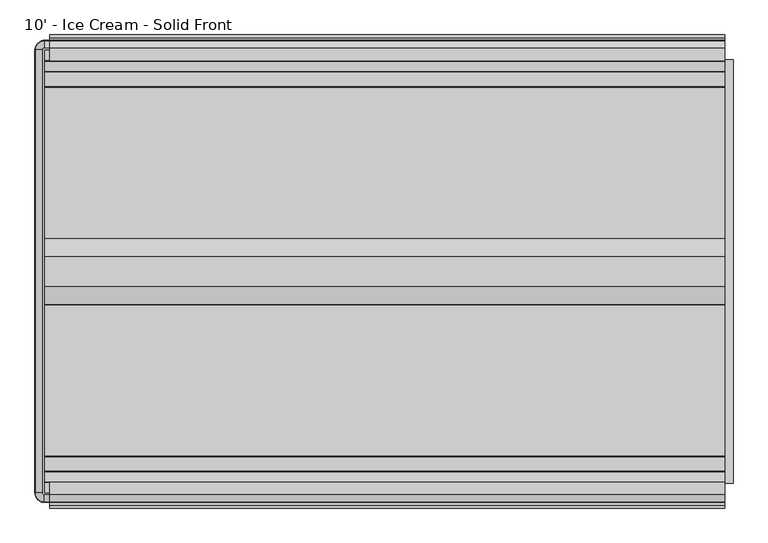
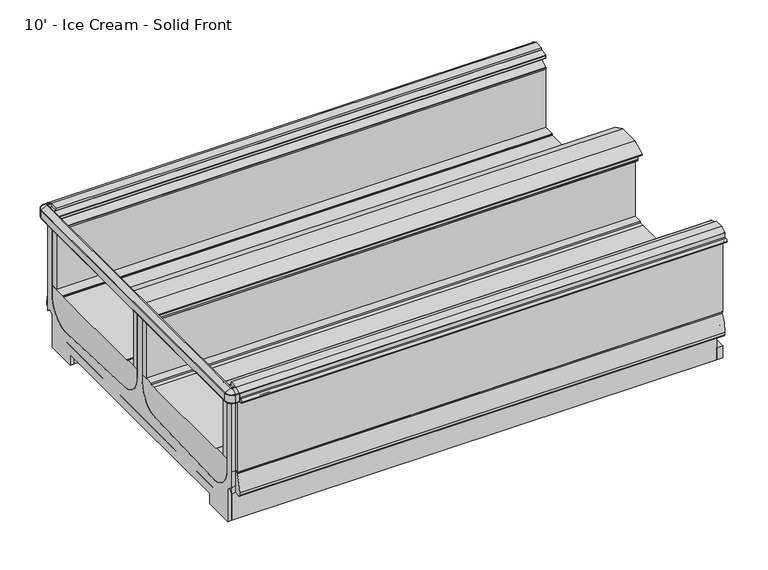
"""IFC4 building model written with IfcOpenShell, lengths in millimetres: proxy geometry, 10' - Ice Cream - Solid Front."""

from ifc_helpers import new_model, si_unit, point, frame, frame_2d, origin, origin_with_axes, place, context, project, spatial, polyline, circle_curve, ellipse_curve, trimmed, segment, composite_curve, outline, extrude, source, transform, mapped, element, save
from ifc_brep_helpers import plane_surface, cylinder_surface, revolved_surface, advanced_brep


def proxy_10_ice_cream_solid_front_2a757185(model_context):
    return source(origin(), model_context, "Body", "SolidModel", [
        extrude(outline(polyline([(-2377.8829734, 0.0), (-2409.6329734, 0.0), (-2409.6329734, 218.5762254), (-2377.8829734, 192.0044611), (-2377.8829734, 0.0)])), frame((0.0, 0.0, 0.0), z_axis=(1.0, 0.0, 0.0), x_axis=(0.0, 1.0, 0.0)), (0.0, 0.0, 1.0), 3048.0),
        extrude(outline(polyline([(2984.5, -582.4839273), (2760.8400723, -582.4839273), (2760.8400723, -531.6839273), (2984.5, -531.6839273), (2984.5, -582.4839273)])), frame((0.0, 0.0, -6.35), z_axis=(0.0, 0.0, 1.0), x_axis=(1.0, 0.0, 0.0)), (0.0, 0.0, 1.0), 6.35),
        extrude(outline(composite_curve([segment(trimmed(circle_curve(frame_2d((2844.8, -557.0839273)), 15.875), [point((2828.925, -557.0839273))], [point((2860.675, -557.0839273))], False, "CARTESIAN"), True, "CONTINUOUS"), segment(trimmed(circle_curve(frame_2d((2844.8, -557.0839273)), 15.875), [point((2860.675, -557.0839273))], [point((2828.925, -557.0839273))], False, "CARTESIAN"), True, "CONTINUOUS")], self_intersect=False)), frame((0.0, 0.0, -6.35), z_axis=(0.0, 0.0, 1.0), x_axis=(1.0, 0.0, 0.0)), (0.0, 0.0, 1.0), 6.35),
        extrude(outline(composite_curve([segment(trimmed(circle_curve(frame_2d((2895.6, -557.0839273)), 15.875), [point((2879.725, -557.0839273))], [point((2911.475, -557.0839273))], False, "CARTESIAN"), True, "CONTINUOUS"), segment(trimmed(circle_curve(frame_2d((2895.6, -557.0839273)), 15.875), [point((2911.475, -557.0839273))], [point((2879.725, -557.0839273))], False, "CARTESIAN"), True, "CONTINUOUS")], self_intersect=False)), frame((0.0, 0.0, -6.35), z_axis=(0.0, 0.0, 1.0), x_axis=(1.0, 0.0, 0.0)), (0.0, 0.0, 1.0), 6.35),
        extrude(outline(composite_curve([segment(trimmed(circle_curve(frame_2d((2946.4, -557.0839273)), 15.875), [point((2930.525, -557.0839273))], [point((2962.275, -557.0839273))], False, "CARTESIAN"), True, "CONTINUOUS"), segment(trimmed(circle_curve(frame_2d((2946.4, -557.0839273)), 15.875), [point((2962.275, -557.0839273))], [point((2930.525, -557.0839273))], False, "CARTESIAN"), True, "CONTINUOUS")], self_intersect=False)), frame((0.0, 0.0, -6.35), z_axis=(0.0, 0.0, 1.0), x_axis=(1.0, 0.0, 0.0)), (0.0, 0.0, 1.0), 6.35),
        extrude(outline(composite_curve([segment(trimmed(circle_curve(frame_2d((2794.0, -557.0839273)), 15.875), [point((2778.125, -557.0839273))], [point((2809.875, -557.0839273))], False, "CARTESIAN"), True, "CONTINUOUS"), segment(trimmed(circle_curve(frame_2d((2794.0, -557.0839273)), 15.875), [point((2809.875, -557.0839273))], [point((2778.125, -557.0839273))], False, "CARTESIAN"), True, "CONTINUOUS")], self_intersect=False)), frame((0.0, 0.0, -6.35), z_axis=(0.0, 0.0, 1.0), x_axis=(1.0, 0.0, 0.0)), (0.0, 0.0, 1.0), 6.35),
        extrude(outline(composite_curve([segment(trimmed(circle_curve(frame_2d((203.2, -2350.9589273)), 15.875), [point((219.075, -2350.9589273))], [point((187.325, -2350.9589273))], False, "CARTESIAN"), True, "CONTINUOUS"), segment(trimmed(circle_curve(frame_2d((203.2, -2350.9589273)), 15.875), [point((187.325, -2350.9589273))], [point((219.075, -2350.9589273))], False, "CARTESIAN"), True, "CONTINUOUS")], self_intersect=False)), frame((0.0, 0.0, -6.35), z_axis=(0.0, 0.0, 1.0), x_axis=(1.0, 0.0, 0.0)), (0.0, 0.0, 1.0), 6.35),
        extrude(outline(composite_curve([segment(trimmed(circle_curve(frame_2d((152.4, -2350.9589273)), 15.875), [point((168.275, -2350.9589273))], [point((136.525, -2350.9589273))], False, "CARTESIAN"), True, "CONTINUOUS"), segment(trimmed(circle_curve(frame_2d((152.4, -2350.9589273)), 15.875), [point((136.525, -2350.9589273))], [point((168.275, -2350.9589273))], False, "CARTESIAN"), True, "CONTINUOUS")], self_intersect=False)), frame((0.0, 0.0, -6.35), z_axis=(0.0, 0.0, 1.0), x_axis=(1.0, 0.0, 0.0)), (0.0, 0.0, 1.0), 6.35),
        extrude(outline(composite_curve([segment(trimmed(circle_curve(frame_2d((254.0, -2350.9589273)), 15.875), [point((269.875, -2350.9589273))], [point((238.125, -2350.9589273))], False, "CARTESIAN"), True, "CONTINUOUS"), segment(trimmed(circle_curve(frame_2d((254.0, -2350.9589273)), 15.875), [point((238.125, -2350.9589273))], [point((269.875, -2350.9589273))], False, "CARTESIAN"), True, "CONTINUOUS")], self_intersect=False)), frame((0.0, 0.0, -6.35), z_axis=(0.0, 0.0, 1.0), x_axis=(1.0, 0.0, 0.0)), (0.0, 0.0, 1.0), 6.35),
        extrude(outline(composite_curve([segment(trimmed(circle_curve(frame_2d((101.6, -2350.9589273)), 15.875), [point((117.475, -2350.9589273))], [point((85.725, -2350.9589273))], False, "CARTESIAN"), True, "CONTINUOUS"), segment(trimmed(circle_curve(frame_2d((101.6, -2350.9589273)), 15.875), [point((85.725, -2350.9589273))], [point((117.475, -2350.9589273))], False, "CARTESIAN"), True, "CONTINUOUS")], self_intersect=False)), frame((0.0, 0.0, -6.35), z_axis=(0.0, 0.0, 1.0), x_axis=(1.0, 0.0, 0.0)), (0.0, 0.0, 1.0), 6.35),
        extrude(outline(polyline([(69.85, -2325.5589273), (289.1439539, -2325.5589273), (289.1439539, -2376.3589273), (69.85, -2376.3589273), (69.85, -2325.5589273)])), frame((0.0, 0.0, -6.35), z_axis=(0.0, 0.0, 1.0), x_axis=(1.0, 0.0, 0.0)), (0.0, 0.0, 1.0), 6.35),
        extrude(outline(composite_curve([segment(polyline([(-445.8191812, 916.3995638), (-411.9355812, 896.8368583)]), True, "CONTINUOUS"), segment(trimmed(circle_curve(frame_2d((-412.9769812, 895.0331005)), 2.0828), [point((-411.9355812, 896.8368583))], [point((-410.8941812, 895.0331005))], False, "CARTESIAN"), True, "CONTINUOUS"), segment(polyline([(-410.8941812, 895.0331005), (-410.8941812, 842.2823638)]), True, "CONTINUOUS"), segment(trimmed(circle_curve(frame_2d((-412.9769812, 842.2823638)), 2.0828), [point((-410.8941812, 842.2823638))], [point((-412.9769812, 840.1995638))], False, "CARTESIAN"), True, "CONTINUOUS"), segment(polyline([(-412.9769812, 840.1995638), (-453.2686576, 840.1995638), (-453.2686576, 896.9698692), (-502.6537801, 896.9698692), (-502.6537801, 916.3995638), (-445.8191812, 916.3995638)]), True, "CONTINUOUS")], self_intersect=False)), frame((0.0, 0.0, 0.0), z_axis=(1.0, 0.0, 0.0), x_axis=(0.0, 1.0, 0.0)), (0.0, 0.0, 1.0), 3048.0),
        extrude(outline(composite_curve([segment(polyline([(-2462.2236734, 916.3995638), (-2405.3883698, 916.3995638), (-2405.3883698, 896.9698692), (-2454.774197, 896.9698692), (-2454.774197, 840.1995638), (-2495.0658734, 840.1995638)]), True, "CONTINUOUS"), segment(trimmed(circle_curve(frame_2d((-2495.0658734, 842.2823638)), 2.0828), [point((-2495.0658734, 840.1995638))], [point((-2497.1486734, 842.2823638))], False, "CARTESIAN"), True, "CONTINUOUS"), segment(polyline([(-2497.1486734, 842.2823638), (-2497.1486734, 895.0331005)]), True, "CONTINUOUS"), segment(trimmed(circle_curve(frame_2d((-2495.0658734, 895.0331005)), 2.0828), [point((-2497.1486734, 895.0331005))], [point((-2496.1072734, 896.8368583))], False, "CARTESIAN"), True, "CONTINUOUS"), segment(polyline([(-2496.1072734, 896.8368583), (-2462.2236734, 916.3995638)]), True, "CONTINUOUS")], self_intersect=False)), frame((0.0, 0.0, 0.0), z_axis=(1.0, 0.0, 0.0), x_axis=(0.0, 1.0, 0.0)), (0.0, 0.0, 1.0), 3048.0),
        extrude(outline(polyline([(3086.1, -498.4098812), (3086.1, -2409.6329734), (3048.0, -2409.6329734), (3048.0, -498.4098812), (3086.1, -498.4098812)])), origin_with_axes(), (0.0, 0.0, 1.0), 80.0346764),
        extrude(outline(composite_curve([segment(polyline([(-2454.774197, 212.6925638), (-2484.436449, 212.6925638), (-2484.436449, 210.1525638), (-2489.3644531, 210.1525638)]), True, "CONTINUOUS"), segment(trimmed(circle_curve(frame_2d((-2489.3644531, 218.3404259)), 8.1878621), [point((-2489.3644531, 210.1525638))], [point((-2497.5523152, 218.3404259))], False, "CARTESIAN"), True, "CONTINUOUS"), segment(polyline([(-2497.5523152, 218.3404259), (-2497.5523152, 235.3283913)]), True, "CONTINUOUS"), segment(trimmed(circle_curve(frame_2d((-2218.2798369, 226.8878416)), 279.4), [point((-2497.5523152, 235.3283913))], [point((-2470.719945, 346.6306987))], False, "CARTESIAN"), True, "CONTINUOUS"), segment(trimmed(circle_curve(frame_2d((-2459.2453946, 341.1878416)), 12.7), [point((-2470.719945, 346.6306987))], [point((-2459.036449, 353.8861226))], False, "CARTESIAN"), True, "CONTINUOUS"), segment(polyline([(-2459.036449, 353.8861226), (-2459.036449, 358.1075638), (-2454.774197, 358.1075638), (-2454.774197, 212.6925638)]), True, "CONTINUOUS")], self_intersect=False)), frame((0.0, 0.0, 0.0), z_axis=(1.0, 0.0, 0.0), x_axis=(0.0, 1.0, 0.0)), (0.0, 0.0, 1.0), 3048.0),
        extrude(outline(composite_curve([segment(polyline([(-453.2686576, 212.6925638), (-453.2686576, 358.1075638), (-449.0064056, 358.1075638), (-449.0064056, 353.8878416), (-439.8158479, 353.8878416)]), True, "CONTINUOUS"), segment(trimmed(circle_curve(frame_2d((-439.8158479, 341.1878416)), 12.7), [point((-439.8158479, 353.8878416))], [point((-428.3412975, 346.6306987))], False, "CARTESIAN"), True, "CONTINUOUS"), segment(trimmed(circle_curve(frame_2d((-680.7814056, 226.8878416)), 279.4), [point((-428.3412975, 346.6306987))], [point((-401.5089273, 235.3283913))], False, "CARTESIAN"), True, "CONTINUOUS"), segment(polyline([(-401.5089273, 235.3283913), (-401.5089273, 218.3404259)]), True, "CONTINUOUS"), segment(trimmed(circle_curve(frame_2d((-409.6967894, 218.3404259)), 8.1878621), [point((-401.5089273, 218.3404259))], [point((-409.6967894, 210.1525638))], False, "CARTESIAN"), True, "CONTINUOUS"), segment(polyline([(-409.6967894, 210.1525638), (-423.6064056, 210.1525638), (-423.6064056, 212.6925638), (-453.2686576, 212.6925638)]), True, "CONTINUOUS")], self_intersect=False)), frame((0.0, 0.0, 0.0), z_axis=(1.0, 0.0, 0.0), x_axis=(0.0, 1.0, 0.0)), (0.0, 0.0, 1.0), 3048.0),
        advanced_brep(
        [(-24.4402697, -2454.774197, 897.0258043), (-24.4402697, -2405.4351648, 897.0258043), (-24.4402697, -2405.4351648, 329.8307252), (-24.4402697, -2245.5061532, 189.514106), (-24.4402697, -1631.4536419, 211.922149), (-24.4402697, -1480.7855206, 364.3123081), (-24.4402697, -1480.7848159, 866.4774073), (-24.4402697, -1427.2580387, 866.4774073), (-24.4402697, -1427.2580387, 364.3123081), (-24.4402697, -1276.5892127, 211.922149), (-24.4402697, -662.5367014, 189.514106), (-24.4402697, -502.6076898, 329.8307252), (-24.4402697, -502.6076898, 413.6025156), (-24.4402697, -502.6076898, 897.0258043), (-24.4402697, -453.2686576, 897.0258043), (-24.4402697, -453.2686576, 358.1075638), (-24.4402697, -453.2686576, 212.7617767), (-24.4402697, -472.9537484, 236.2215544), (-24.4402697, -498.4098812, 214.8613228), (-24.4402697, -498.4098812, 0.0), (-24.4402697, -694.8002747, 0.0), (-24.4402697, -694.8001069, 67.8833987), (-24.4402697, -1454.0214273, 67.8834387), (-24.4402697, -2213.2427477, 67.8833987), (-24.4402697, -2213.2425799, 0.0), (-24.4402697, -2409.6329734, 0.0), (-24.4402697, -2409.6329734, 214.8613228), (-24.4402697, -2435.0891062, 236.2215544), (-24.4402697, -2454.774197, 212.7617767), (-24.4402697, -2454.774197, 358.1075638), (0.0, -2454.774197, 897.0258043), (0.0, -2454.774197, 358.1075638), (0.0, -2454.774197, 212.7617767), (0.0, -2435.0891062, 236.2215544), (0.0, -2409.6329734, 214.8613228), (0.0, -2409.6329734, 0.0), (0.0, -2213.2425799, 0.0), (0.0, -2213.2427477, 67.8833987), (0.0, -1454.0214273, 67.8834387), (0.0, -694.8001069, 67.8833987), (0.0, -694.8002747, 0.0), (0.0, -498.4098812, 0.0), (0.0, -498.4098812, 214.8613228), (0.0, -472.9537484, 236.2215544), (0.0, -453.2686576, 212.7617767), (0.0, -453.2686576, 358.1075638), (0.0, -453.2686576, 897.0258043), (0.0, -502.6076898, 897.0258043), (0.0, -502.6076898, 413.6025156), (0.0, -502.6076898, 329.8307252), (0.0, -662.5367014, 189.514106), (0.0, -1276.5892127, 211.922149), (0.0, -1427.257334, 364.3123081), (0.0, -1427.2580387, 866.4774073), (0.0, -1480.7848159, 866.4774073), (0.0, -1480.7848159, 364.3123081), (0.0, -1631.4536419, 211.922149), (0.0, -2245.5061532, 189.514106), (0.0, -2405.4351648, 329.8307252), (0.0, -2405.4351648, 897.0258043)],
        [
            (0, 1),
            (1, 2),
            (2, 3, circle_curve(frame((-24.4402697, -2254.7995855, 340.2213556), z_axis=(1.0, 0.0, 0.0), x_axis=(0.0, 1.0, 0.0)), 150.9935196)),
            (3, 4, circle_curve(frame((-24.4402697, -1492.4045203, -12023.1831731), z_axis=(-1.0, 0.0, 0.0), x_axis=(0.0, 1.0, 0.0)), 12235.8954271)),
            (4, 5, circle_curve(frame((-24.4402697, -1633.1855206, 364.3123081), z_axis=(1.0, 0.0, 0.0), x_axis=(0.0, 1.0, 0.0)), 152.4)),
            (5, 6),
            (6, 7),
            (7, 8),
            (8, 9, circle_curve(frame((-24.4402697, -1274.857334, 364.3123081), z_axis=(1.0, 0.0, 0.0), x_axis=(0.0, 1.0, 0.0)), 152.4)),
            (9, 10, circle_curve(frame((-24.4402697, -1415.6383343, -12023.1831731), z_axis=(-1.0, 0.0, 0.0), x_axis=(0.0, 1.0, 0.0)), 12235.8954271)),
            (10, 11, circle_curve(frame((-24.4402697, -653.2432691, 340.2213556), z_axis=(1.0, 0.0, 0.0), x_axis=(0.0, 1.0, 0.0)), 150.9935196)),
            (11, 12),
            (12, 13),
            (13, 14),
            (14, 15),
            (15, 16),
            (16, 17),
            (17, 18),
            (18, 19),
            (19, 20),
            (20, 21),
            (21, 22),
            (22, 23),
            (23, 24),
            (24, 25),
            (25, 26),
            (26, 27),
            (27, 28),
            (28, 29),
            (29, 0),
            (30, 31),
            (31, 32),
            (32, 33),
            (33, 34),
            (34, 35),
            (35, 36),
            (36, 37),
            (37, 38),
            (38, 39),
            (39, 40),
            (40, 41),
            (41, 42),
            (42, 43),
            (43, 44),
            (44, 45),
            (45, 46),
            (46, 47),
            (47, 48),
            (48, 49),
            (49, 50, circle_curve(frame((0.0, -653.2432691, 340.2213556), z_axis=(-1.0, 0.0, 0.0), x_axis=(0.0, 1.0, 0.0)), 150.9935196)),
            (50, 51, circle_curve(frame((0.0, -1415.6383343, -12023.1831731), z_axis=(1.0, 0.0, 0.0), x_axis=(0.0, 1.0, 0.0)), 12235.8954271)),
            (51, 52, circle_curve(frame((0.0, -1274.857334, 364.3123081), z_axis=(-1.0, 0.0, 0.0), x_axis=(0.0, 1.0, 0.0)), 152.4)),
            (52, 53),
            (53, 54),
            (54, 55),
            (55, 56, circle_curve(frame((0.0, -1633.1855206, 364.3123081), z_axis=(-1.0, 0.0, 0.0), x_axis=(0.0, 1.0, 0.0)), 152.4)),
            (56, 57, circle_curve(frame((0.0, -1492.4045203, -12023.1831731), z_axis=(1.0, 0.0, 0.0), x_axis=(0.0, 1.0, 0.0)), 12235.8954271)),
            (57, 58, circle_curve(frame((0.0, -2254.7995855, 340.2213556), z_axis=(-1.0, 0.0, 0.0), x_axis=(0.0, 1.0, 0.0)), 150.9935196)),
            (58, 59),
            (59, 30),
            (59, 1),
            (0, 30),
            (29, 31),
            (28, 32),
            (45, 15),
            (14, 46),
            (13, 47),
            (42, 18),
            (17, 43),
            (16, 44),
            (27, 33),
            (26, 34),
            (12, 48),
            (11, 49),
            (10, 50),
            (9, 51),
            (8, 52),
            (7, 53),
            (6, 54),
            (5, 55),
            (4, 56),
            (3, 57),
            (2, 58),
            (25, 35),
            (24, 36),
            (23, 37),
            (22, 38),
            (21, 39),
            (20, 40),
            (19, 41),
        ],
        [
            plane_surface(frame((-24.4402697, -2454.774197, 358.1075638), z_axis=(-1.0, 0.0, 0.0), x_axis=(0.0, 0.0, 1.0))),
            plane_surface(frame((0.0, -2454.774197, 358.1075638), z_axis=(1.0, 0.0, 0.0), x_axis=(0.0, 0.0, -1.0))),
            plane_surface(frame((0.0, -2405.4351648, 897.0258043), z_axis=(0.0, 0.0, 1.0), x_axis=(-1.0, 0.0, 0.0))),
            plane_surface(frame((0.0, -2454.774197, 897.0258043), z_axis=(0.0, -1.0, 0.0), x_axis=(-1.0, 0.0, 0.0))),
            plane_surface(frame((0.0, -2454.774197, 358.1075638), z_axis=(0.0, -1.0, 0.0), x_axis=(-1.0, 0.0, 0.0))),
            plane_surface(frame((0.0, -453.2686576, 358.1075638), z_axis=(0.0, 1.0, 0.0), x_axis=(-1.0, 0.0, 0.0))),
            plane_surface(frame((0.0, -453.2686576, 897.0258043), z_axis=(0.0, 0.0, 1.0), x_axis=(-1.0, 0.0, 0.0))),
            plane_surface(frame((0.0, -498.4098812, 214.8613228), z_axis=(0.0, 0.6427876097064538, -0.7660444431022678), x_axis=(-1.0, 0.0, 0.0))),
            plane_surface(frame((0.0, -472.9537484, 236.2215544), z_axis=(0.0, -0.7660444431084633, -0.6427876096990705), x_axis=(-1.0, 0.0, 0.0))),
            plane_surface(frame((0.0, -453.2686576, 212.7617767), z_axis=(0.0, 1.0, 3.1216682375061996e-12), x_axis=(-1.0, 0.0, 0.0))),
            plane_surface(frame((0.0, -2454.774197, 212.7617767), z_axis=(0.0, 0.7660444431333294, -0.6427876096694362), x_axis=(-1.0, 0.0, 0.0))),
            plane_surface(frame((0.0, -2435.0891062, 236.2215544), z_axis=(0.0, -0.6427876097190367, -0.7660444430917096), x_axis=(-1.0, 0.0, 0.0))),
            plane_surface(frame((0.0, -502.6076898, 897.0258043), z_axis=(0.0, -1.0, 0.0), x_axis=(-1.0, 0.0, 0.0))),
            plane_surface(frame((0.0, -502.6076898, 413.6025156), z_axis=(0.0, -1.0, 0.0), x_axis=(-1.0, 0.0, 0.0))),
            revolved_surface(polyline([(-24.4402697, -502.2497495, 340.2213556), (0.0, -502.2497495, 340.2213556)]), (-24.4402697, -653.2432691, 340.2213556), (-1.0, 0.0, 0.0)),
            cylinder_surface(frame((-24.4402697, -1415.6383343, -12023.1831731), z_axis=(1.0, 0.0, 0.0), x_axis=(0.0, 1.0, 0.0)), 12235.8954271),
            revolved_surface(polyline([(-24.4402697, -1122.457334, 364.3123081), (0.0, -1122.457334, 364.3123081)]), (-24.4402697, -1274.857334, 364.3123081), (-1.0, 0.0, 0.0)),
            plane_surface(frame((0.0, -1427.2580387, 364.3123081), z_axis=(0.0, 1.0, 0.0), x_axis=(-1.0, 0.0, 0.0))),
            plane_surface(frame((0.0, -1427.2580387, 866.4774073), z_axis=(0.0, 0.0, 1.0), x_axis=(-1.0, 0.0, 0.0))),
            plane_surface(frame((0.0, -1480.7848159, 866.4774073), z_axis=(0.0, -1.0, 0.0), x_axis=(-1.0, 0.0, 0.0))),
            revolved_surface(polyline([(-24.4402697, -1480.7855206, 364.3123081), (0.0, -1480.7855206, 364.3123081)]), (-24.4402697, -1633.1855206, 364.3123081), (-1.0, 0.0, 0.0)),
            cylinder_surface(frame((-24.4402697, -1492.4045203, -12023.1831731), z_axis=(1.0, 0.0, 0.0), x_axis=(0.0, 1.0, 0.0)), 12235.8954271),
            revolved_surface(polyline([(-24.4402697, -2103.8060659, 340.2213556), (0.0, -2103.8060659, 340.2213556)]), (-24.4402697, -2254.7995855, 340.2213556), (-1.0, 0.0, 0.0)),
            plane_surface(frame((0.0, -2405.4351648, 329.8307252), z_axis=(0.0, 1.0, 0.0), x_axis=(-1.0, 0.0, 0.0))),
            plane_surface(frame((0.0, -2409.6329734, 214.8613228), z_axis=(0.0, -1.0, 0.0), x_axis=(-1.0, 0.0, 0.0))),
            plane_surface(frame((0.0, -2409.6329734, 0.0), z_axis=(0.0, 0.0, -1.0), x_axis=(-1.0, 0.0, 0.0))),
            plane_surface(frame((0.0, -2213.2425799, 0.0), z_axis=(0.0, 0.9999999999969436, 2.472444991820878e-06), x_axis=(-1.0, 0.0, 0.0))),
            plane_surface(frame((0.0, -2213.2427477, 67.8833987), z_axis=(0.0, 5.271826472873997e-08, -0.9999999999999987), x_axis=(-1.0, 0.0, 0.0))),
            plane_surface(frame((0.0, -1454.0214273, 67.8834387), z_axis=(0.0, -5.271826471759711e-08, -0.9999999999999987), x_axis=(-1.0, 0.0, 0.0))),
            plane_surface(frame((0.0, -694.8001069, 67.8833987), z_axis=(0.0, -0.9999999999969436, 2.472444991820454e-06), x_axis=(-1.0, 0.0, 0.0))),
            plane_surface(frame((0.0, -694.8002747, 0.0), z_axis=(0.0, 0.0, -1.0), x_axis=(-1.0, 0.0, 0.0))),
            plane_surface(frame((0.0, -498.4098812, 0.0), z_axis=(0.0, 1.0, 0.0), x_axis=(-1.0, 0.0, 0.0))),
        ],
        [
            (0, [[1, 2, 3, 4, 5, 6, 7, 8, 9, 10, 11, 12, 13, 14, 15, 16, 17, 18, 19, 20, 21, 22, 23, 24, 25, 26, 27, 28, 29, 30]]),
            (1, [[31, 32, 33, 34, 35, 36, 37, 38, 39, 40, 41, 42, 43, 44, 45, 46, 47, 48, 49, 50, 51, 52, 53, 54, 55, 56, 57, 58, 59, 60]]),
            (2, [[-60, 61, -1, 62]]),
            (3, [[-31, -62, -30, 63]]),
            (4, [[-32, -63, -29, 64]]),
            (5, [[-46, 65, -15, 66]]),
            (6, [[-47, -66, -14, 67]]),
            (7, [[-43, 68, -18, 69]]),
            (8, [[-44, -69, -17, 70]]),
            (9, [[-45, -70, -16, -65]]),
            (10, [[-33, -64, -28, 71]]),
            (11, [[-34, -71, -27, 72]]),
            (12, [[-48, -67, -13, 73]]),
            (13, [[-49, -73, -12, 74]]),
            (14, [[-50, -74, -11, 75]]),
            (15, [[-51, -75, -10, 76]]),
            (16, [[-52, -76, -9, 77]]),
            (17, [[-53, -77, -8, 78]]),
            (18, [[-54, -78, -7, 79]]),
            (19, [[-55, -79, -6, 80]]),
            (20, [[-56, -80, -5, 81]]),
            (21, [[-57, -81, -4, 82]]),
            (22, [[-58, -82, -3, 83]]),
            (23, [[-59, -83, -2, -61]]),
            (24, [[-35, -72, -26, 84]]),
            (25, [[-36, -84, -25, 85]]),
            (26, [[-37, -85, -24, 86]]),
            (27, [[-38, -86, -23, 87]]),
            (28, [[-39, -87, -22, 88]]),
            (29, [[-40, -88, -21, 89]]),
            (30, [[-41, -89, -20, 90]]),
            (31, [[-42, -90, -19, -68]]),
        ],
    ),
        extrude(outline(polyline([(-2247.3548736, 0.0), (-2409.6329734, 0.0), (-2409.6329734, 214.8613228), (-2435.0891062, 236.2215544), (-2454.774197, 212.7617767), (-2454.774197, 256.3551845), (-2304.8796168, 130.9075167), (-2247.3551153, 130.9023907), (-2247.3548736, 0.0)])), frame((0.0, 0.0, 0.0), z_axis=(1.0, 0.0, 0.0), x_axis=(0.0, 1.0, 0.0)), (0.0, 0.0, 1.0), 3048.0),
        extrude(outline(polyline([(-660.687981, 0.0), (-660.6877393, 130.9023907), (-603.1632378, 130.9075167), (-498.4098812, 218.5762254), (-498.4098812, 0.0), (-660.687981, 0.0)])), frame((0.0, 0.0, 0.0), z_axis=(1.0, 0.0, 0.0), x_axis=(0.0, 1.0, 0.0)), (0.0, 0.0, 1.0), 3048.0),
        extrude(outline(composite_curve([segment(polyline([(-453.2686576, 840.1995638), (-429.7663812, 840.1995638), (-429.7663812, 359.6315638)]), True, "CONTINUOUS"), segment(trimmed(circle_curve(frame_2d((-431.2903812, 359.6315638)), 1.524), [point((-429.7663812, 359.6315638))], [point((-431.2903812, 358.1075638))], False, "CARTESIAN"), True, "CONTINUOUS"), segment(polyline([(-431.2903812, 358.1075638), (-453.2686576, 358.1075638), (-453.2686576, 840.1995638)]), True, "CONTINUOUS")], self_intersect=False)), frame((0.0, 0.0, 0.0), z_axis=(1.0, 0.0, 0.0), x_axis=(0.0, 1.0, 0.0)), (0.0, 0.0, 1.0), 3048.0),
        extrude(outline(composite_curve([segment(polyline([(-2454.774197, 840.1995638), (-2454.774197, 358.1075638), (-2476.7524734, 358.1075638)]), True, "CONTINUOUS"), segment(trimmed(circle_curve(frame_2d((-2476.7524734, 359.6315638)), 1.524), [point((-2476.7524734, 358.1075638))], [point((-2478.2764734, 359.6315638))], False, "CARTESIAN"), True, "CONTINUOUS"), segment(polyline([(-2478.2764734, 359.6315638), (-2478.2764734, 840.1995638), (-2454.774197, 840.1995638)]), True, "CONTINUOUS")], self_intersect=False)), frame((0.0, 0.0, 0.0), z_axis=(1.0, 0.0, 0.0), x_axis=(0.0, 1.0, 0.0)), (0.0, 0.0, 1.0), 3048.0),
        extrude(outline(composite_curve([segment(polyline([(-2497.1486734, 866.4774073), (-2497.1486734, 841.0774073), (-2509.5631602, 841.0774073)]), True, "CONTINUOUS"), segment(trimmed(circle_curve(frame_2d((-2509.5631602, 853.7774073)), 12.7), [point((-2509.5631602, 841.0774073))], [point((-2522.2631602, 853.7774073))], False, "CARTESIAN"), True, "CONTINUOUS"), segment(trimmed(circle_curve(frame_2d((-2509.5631602, 853.7774073)), 12.7), [point((-2522.2631602, 853.7774073))], [point((-2509.5631602, 866.4774073))], False, "CARTESIAN"), True, "CONTINUOUS"), segment(polyline([(-2509.5631602, 866.4774073), (-2497.1486734, 866.4774073)]), True, "CONTINUOUS")], self_intersect=False)), frame((0.0, 0.0, 0.0), z_axis=(1.0, 0.0, 0.0), x_axis=(0.0, 1.0, 0.0)), (0.0, 0.0, 1.0), 3048.0),
        extrude(outline(composite_curve([segment(polyline([(-410.8941812, 866.4774073), (-398.4796944, 866.4774073)]), True, "CONTINUOUS"), segment(trimmed(circle_curve(frame_2d((-398.4796944, 853.7774073)), 12.7), [point((-398.4796944, 866.4774073))], [point((-385.7796944, 853.7774073))], False, "CARTESIAN"), True, "CONTINUOUS"), segment(trimmed(circle_curve(frame_2d((-398.4796944, 853.7774073)), 12.7), [point((-385.7796944, 853.7774073))], [point((-398.4796944, 841.0774073))], False, "CARTESIAN"), True, "CONTINUOUS"), segment(polyline([(-398.4796944, 841.0774073), (-410.8941812, 841.0774073), (-410.8941812, 866.4774073)]), True, "CONTINUOUS")], self_intersect=False)), frame((0.0, 0.0, 0.0), z_axis=(1.0, 0.0, 0.0), x_axis=(0.0, 1.0, 0.0)), (0.0, 0.0, 1.0), 3048.0),
        extrude(outline(polyline([(3048.0, -1527.311562), (3048.0, -1549.536562), (0.0, -1549.536562), (0.0, -1527.311562), (3048.0, -1527.311562)])), frame((0.0, 0.0, 802.4445616), z_axis=(0.0, 0.0, 1.0), x_axis=(1.0, 0.0, 0.0)), (0.0, 0.0, 1.0), 76.2),
        extrude(outline(polyline([(3048.0, -1358.5062926), (3048.0, -1380.7312926), (0.0, -1380.7312926), (0.0, -1358.5062926), (3048.0, -1358.5062926)])), frame((0.0, 0.0, 802.4445616), z_axis=(0.0, 0.0, 1.0), x_axis=(1.0, 0.0, 0.0)), (0.0, 0.0, 1.0), 76.2),
        extrude(outline(composite_curve([segment(polyline([(-1551.071886, 800.8570616), (-1551.071886, 808.7945616), (-1549.536562, 808.7945616), (-1549.536562, 802.4445616), (-1527.311562, 802.4445616), (-1527.311562, 866.3043859), (-1480.7848159, 866.3043859), (-1480.7848159, 415.2220813), (-1522.6087322, 415.2325275), (-1522.6087322, 775.2893206)]), True, "CONTINUOUS"), segment(trimmed(circle_curve(frame_2d((-1522.2729918, 776.2117598)), 0.9816393), [point((-1522.6087322, 775.2893206))], [point((-1523.2546312, 776.2117598))], False, "CARTESIAN"), True, "CONTINUOUS"), segment(polyline([(-1523.2546312, 776.2117598), (-1523.2546312, 800.8570616), (-1551.071886, 800.8570616)]), True, "CONTINUOUS")], self_intersect=False)), frame((-24.4402697, 0.0, 0.0), z_axis=(1.0, 0.0, 0.0), x_axis=(0.0, 1.0, 0.0)), (0.0, 0.0, 1.0), 3072.4402697),
        extrude(outline(composite_curve([segment(polyline([(-1356.9709686, 800.8570616), (-1384.7882234, 800.8570616), (-1384.7882234, 776.2117598)]), True, "CONTINUOUS"), segment(trimmed(circle_curve(frame_2d((-1385.7698628, 776.2117598)), 0.9816393), [point((-1384.7882234, 776.2117598))], [point((-1385.4341224, 775.2893206))], False, "CARTESIAN"), True, "CONTINUOUS"), segment(polyline([(-1385.4341224, 775.2893206), (-1385.4341224, 415.2325275), (-1427.2580387, 415.2220813), (-1427.2580387, 866.3043859), (-1380.7312926, 866.3043859), (-1380.7312926, 802.4445616), (-1358.5062926, 802.4445616), (-1358.5062926, 808.7945616), (-1356.9709686, 808.7945616), (-1356.9709686, 800.8570616)]), True, "CONTINUOUS")], self_intersect=False)), frame((-24.4402697, 0.0, 0.0), z_axis=(1.0, 0.0, 0.0), x_axis=(0.0, 1.0, 0.0)), (0.0, 0.0, 1.0), 3072.4402697),
        extrude(outline(polyline([(-1387.836481, 914.8138293), (-1305.5925722, 875.4929407), (-1309.5700998, 864.574991), (-1312.0395874, 864.7344073), (-1358.5062926, 864.7344073), (-1358.5062926, 878.6445616), (-1380.7312926, 878.6445616), (-1380.7312926, 866.3043859), (-1527.311562, 866.3043859), (-1527.311562, 878.6445616), (-1549.536562, 878.6445616), (-1549.536562, 864.7344073), (-1596.0032672, 864.7344073), (-1598.4727548, 864.574991), (-1602.4502824, 875.4929407), (-1520.2063736, 914.8138293), (-1387.836481, 914.8138293)])), frame((-24.4402697, 0.0, 0.0), z_axis=(1.0, 0.0, 0.0), x_axis=(0.0, 1.0, 0.0)), (0.0, 0.0, 1.0), 3072.4402697),
        extrude(outline(composite_curve([segment(polyline([(-502.6076898, 413.6025156), (-547.7105983, 413.6025156), (-547.7105983, 799.5951356), (-549.2980983, 799.5951356), (-552.5851001, 811.8623936)]), True, "CONTINUOUS"), segment(trimmed(circle_curve(frame_2d((-550.6959424, 812.3685918)), 1.9558), [point((-552.5851001, 811.8623936))], [point((-551.6738424, 814.0623643))], False, "CARTESIAN"), True, "CONTINUOUS"), segment(polyline([(-551.6738424, 814.0623643), (-507.7817983, 839.4034478)]), True, "CONTINUOUS"), segment(trimmed(circle_curve(frame_2d((-506.8038983, 837.7096753)), 1.9558), [point((-507.7817983, 839.4034478))], [point((-504.8480983, 837.7096753))], False, "CARTESIAN"), True, "CONTINUOUS"), segment(polyline([(-504.8480983, 837.7096753), (-504.8480983, 846.7803598)]), True, "CONTINUOUS"), segment(trimmed(circle_curve(frame_2d((-505.6354983, 846.7803598)), 0.7874), [point((-504.8480983, 846.7803598))], [point((-505.2464442, 847.4649295))], True, "CARTESIAN"), True, "CONTINUOUS"), segment(polyline([(-505.2464442, 847.4649295), (-550.9785754, 873.4553778)]), True, "CONTINUOUS"), segment(trimmed(circle_curve(frame_2d((-550.2255675, 874.7803514)), 1.524), [point((-550.9785754, 873.4553778))], [point((-551.7495675, 874.7803514))], False, "CARTESIAN"), True, "CONTINUOUS"), segment(polyline([(-551.7495675, 874.7803514), (-551.7495675, 892.7114623)]), True, "CONTINUOUS"), segment(trimmed(circle_curve(frame_2d((-550.2255675, 892.7114623)), 1.524), [point((-551.7495675, 892.7114623))], [point((-550.4902073, 894.2123093))], False, "CARTESIAN"), True, "CONTINUOUS"), segment(polyline([(-550.4902073, 894.2123093), (-505.4987677, 902.1455141), (-502.6076898, 902.1455141), (-502.6076898, 413.6025156)]), True, "CONTINUOUS")], self_intersect=False)), frame((-24.4402697, 0.0, 0.0), z_axis=(1.0, 0.0, 0.0), x_axis=(0.0, 1.0, 0.0)), (0.0, 0.0, 1.0), 3072.4402697),
        extrude(outline(composite_curve([segment(polyline([(-2405.4351648, 413.6025156), (-2405.4351648, 902.1455141), (-2402.5440869, 902.1455141), (-2357.5526473, 894.2123093)]), True, "CONTINUOUS"), segment(trimmed(circle_curve(frame_2d((-2357.8172871, 892.7114623)), 1.524), [point((-2357.5526473, 894.2123093))], [point((-2356.2932871, 892.7114623))], False, "CARTESIAN"), True, "CONTINUOUS"), segment(polyline([(-2356.2932871, 892.7114623), (-2356.2932871, 874.7803514)]), True, "CONTINUOUS"), segment(trimmed(circle_curve(frame_2d((-2357.8172871, 874.7803514)), 1.524), [point((-2356.2932871, 874.7803514))], [point((-2357.0642791, 873.4553778))], False, "CARTESIAN"), True, "CONTINUOUS"), segment(polyline([(-2357.0642791, 873.4553778), (-2402.7964104, 847.4649295)]), True, "CONTINUOUS"), segment(trimmed(circle_curve(frame_2d((-2402.4073563, 846.7803598)), 0.7874), [point((-2402.7964104, 847.4649295))], [point((-2403.1947563, 846.7803598))], True, "CARTESIAN"), True, "CONTINUOUS"), segment(polyline([(-2403.1947563, 846.7803598), (-2403.1947563, 837.7096753)]), True, "CONTINUOUS"), segment(trimmed(circle_curve(frame_2d((-2401.2389563, 837.7096753)), 1.9558), [point((-2403.1947563, 837.7096753))], [point((-2400.2610563, 839.4034478))], False, "CARTESIAN"), True, "CONTINUOUS"), segment(polyline([(-2400.2610563, 839.4034478), (-2356.3690122, 814.0623643)]), True, "CONTINUOUS"), segment(trimmed(circle_curve(frame_2d((-2357.3469122, 812.3685918)), 1.9558), [point((-2356.3690122, 814.0623643))], [point((-2355.4577545, 811.8623936))], False, "CARTESIAN"), True, "CONTINUOUS"), segment(polyline([(-2355.4577545, 811.8623936), (-2358.7447563, 799.5951356), (-2360.3322563, 799.5951356), (-2360.3322563, 413.6025156), (-2405.4351648, 413.6025156)]), True, "CONTINUOUS")], self_intersect=False)), frame((-24.4402697, 0.0, 0.0), z_axis=(1.0, 0.0, 0.0), x_axis=(0.0, 1.0, 0.0)), (0.0, 0.0, 1.0), 3072.4402697),
        extrude(outline(composite_curve([segment(trimmed(circle_curve(frame_2d((-653.2432691, 340.2213556)), 150.9935196), [point((-502.6076898, 329.8307252))], [point((-662.5367014, 189.514106))], False, "CARTESIAN"), True, "CONTINUOUS"), segment(trimmed(circle_curve(frame_2d((-1415.6383343, -12023.1831731)), 12235.8954271), [point((-662.5367014, 189.514106))], [point((-1276.5892127, 211.922149))], True, "CARTESIAN"), True, "CONTINUOUS"), segment(trimmed(circle_curve(frame_2d((-1274.857334, 364.3123081)), 152.4), [point((-1276.5892127, 211.922149))], [point((-1427.257334, 364.3123081))], False, "CARTESIAN"), True, "CONTINUOUS"), segment(polyline([(-1427.257334, 364.3123081), (-1427.257334, 415.2220814), (-1327.4861855, 415.247001), (-1327.4836218, 404.9827495), (-1304.411668, 404.9827495), (-621.5663814, 405.1887649)]), True, "CONTINUOUS"), segment(trimmed(circle_curve(frame_2d((-621.5666848, 406.1943748)), 1.0056099), [point((-621.5663814, 405.1887649))], [point((-620.5610749, 406.1943748))], True, "CARTESIAN"), True, "CONTINUOUS"), segment(polyline([(-620.5610749, 406.1943748), (-620.5610749, 410.7761577)]), True, "CONTINUOUS"), segment(trimmed(circle_curve(frame_2d((-617.734717, 410.7761577)), 2.8263579), [point((-620.5610749, 410.7761577))], [point((-617.734717, 413.6025156))], False, "CARTESIAN"), True, "CONTINUOUS"), segment(polyline([(-617.734717, 413.6025156), (-502.6076898, 413.6025156), (-502.6076898, 329.8307252)]), True, "CONTINUOUS")], self_intersect=False)), frame((-24.4402697, 0.0, 0.0), z_axis=(1.0, 0.0, 0.0), x_axis=(0.0, 1.0, 0.0)), (0.0, 0.0, 1.0), 3072.4402697),
        extrude(outline(composite_curve([segment(polyline([(-2405.4351648, 329.8307252), (-2405.4351648, 413.6025156), (-2290.3081376, 413.6025156)]), True, "CONTINUOUS"), segment(trimmed(circle_curve(frame_2d((-2290.3081376, 410.7761577)), 2.8263579), [point((-2290.3081376, 413.6025156))], [point((-2287.4817797, 410.7761577))], False, "CARTESIAN"), True, "CONTINUOUS"), segment(polyline([(-2287.4817797, 410.7761577), (-2287.4817797, 406.1943748)]), True, "CONTINUOUS"), segment(trimmed(circle_curve(frame_2d((-2286.4761698, 406.1943748)), 1.0056099), [point((-2287.4817797, 406.1943748))], [point((-2286.4764732, 405.1887649))], True, "CARTESIAN"), True, "CONTINUOUS"), segment(polyline([(-2286.4764732, 405.1887649), (-1603.6311866, 404.9827495), (-1580.5592328, 404.9827495), (-1580.5566691, 415.247001), (-1480.7855206, 415.2220814), (-1480.7855206, 364.3123081)]), True, "CONTINUOUS"), segment(trimmed(circle_curve(frame_2d((-1633.1855206, 364.3123081)), 152.4), [point((-1480.7855206, 364.3123081))], [point((-1631.4536419, 211.922149))], False, "CARTESIAN"), True, "CONTINUOUS"), segment(trimmed(circle_curve(frame_2d((-1492.4045203, -12023.1831731)), 12235.8954271), [point((-1631.4536419, 211.922149))], [point((-2245.5061532, 189.514106))], True, "CARTESIAN"), True, "CONTINUOUS"), segment(trimmed(circle_curve(frame_2d((-2254.7995855, 340.2213556)), 150.9935196), [point((-2245.5061532, 189.514106))], [point((-2405.4351648, 329.8307252))], False, "CARTESIAN"), True, "CONTINUOUS")], self_intersect=False)), frame((-24.4402697, 0.0, 0.0), z_axis=(1.0, 0.0, 0.0), x_axis=(0.0, 1.0, 0.0)), (0.0, 0.0, 1.0), 3072.4402697),
        extrude(outline(composite_curve([segment(polyline([(-453.2679529, 897.0258043), (-453.2679529, 256.3551845), (-603.1625331, 130.9075167), (-2304.8796168, 130.9075167), (-2454.774197, 256.3551845), (-2454.774197, 897.0258043), (-2405.4344601, 897.0258043), (-2405.4344601, 329.8307252)]), True, "CONTINUOUS"), segment(trimmed(circle_curve(frame_2d((-2254.7988808, 340.2213556)), 150.9935196), [point((-2405.4344601, 329.8307252))], [point((-2245.5054485, 189.514106))], True, "CARTESIAN"), True, "CONTINUOUS"), segment(trimmed(circle_curve(frame_2d((-1492.4038157, -12023.1831731)), 12235.8954271), [point((-2245.5054485, 189.514106))], [point((-1631.4529372, 211.922149))], False, "CARTESIAN"), True, "CONTINUOUS"), segment(trimmed(circle_curve(frame_2d((-1633.1848159, 364.3123081)), 152.4), [point((-1631.4529372, 211.922149))], [point((-1480.7848159, 364.3123081))], True, "CARTESIAN"), True, "CONTINUOUS"), segment(polyline([(-1480.7848159, 364.3123081), (-1480.7848159, 866.3043859), (-1427.257334, 866.3043859), (-1427.257334, 364.3123081)]), True, "CONTINUOUS"), segment(trimmed(circle_curve(frame_2d((-1274.857334, 364.3123081)), 152.4), [point((-1427.257334, 364.3123081))], [point((-1276.5892127, 211.922149))], True, "CARTESIAN"), True, "CONTINUOUS"), segment(trimmed(circle_curve(frame_2d((-1415.6383343, -12023.1831731)), 12235.8954271), [point((-1276.5892127, 211.922149))], [point((-662.5367014, 189.514106))], False, "CARTESIAN"), True, "CONTINUOUS"), segment(trimmed(circle_curve(frame_2d((-653.2432691, 340.2213556)), 150.9935196), [point((-662.5367014, 189.514106))], [point((-502.6076898, 329.8307252))], True, "CARTESIAN"), True, "CONTINUOUS"), segment(polyline([(-502.6076898, 329.8307252), (-502.6076898, 897.0258043), (-453.2679529, 897.0258043)]), True, "CONTINUOUS")], self_intersect=False)), frame((0.0, 0.0, 0.0), z_axis=(1.0, 0.0, 0.0), x_axis=(0.0, 1.0, 0.0)), (0.0, 0.0, 1.0), 3048.0),
        extrude(outline(polyline([(-660.687981, 0.0), (-694.8001491, 0.0), (-694.7998808, 108.5179371), (-2213.2429738, 108.517857), (-2213.2427055, 0.0), (-2247.3548736, 0.0), (-2247.3551153, 130.9023907), (-660.6877393, 130.9023907), (-660.687981, 0.0)])), frame((-24.4402697, 0.0, 0.0), z_axis=(1.0, 0.0, 0.0), x_axis=(0.0, 1.0, 0.0)), (0.0, 0.0, 1.0), 3072.4402697),
        advanced_brep(
        [(0.0, -2462.2236734, 916.3995638), (0.0, -2496.1072734, 896.8368583), (0.0, -2497.1486734, 895.0331005), (0.0, -2497.1486734, 842.2823638), (0.0, -2495.0658734, 840.1995638), (0.0, -2454.774197, 840.1995638), (0.0, -2454.774197, 916.3995638), (0.0, -445.8191812, 916.3995638), (0.0, -453.2686576, 916.3995638), (0.0, -453.2686576, 840.1995638), (0.0, -412.9769812, 840.1995638), (0.0, -410.8941812, 842.2823638), (0.0, -410.8941812, 895.0331005), (0.0, -411.9355812, 896.8368583), (-23.8125, -2462.2236734, 916.3995638), (-23.8125, -2496.1072734, 896.8368583), (-23.8125, -2497.1486734, 895.0331005), (-23.8125, -2497.1486734, 842.2823638), (-23.8125, -2495.0658734, 840.1995638), (-64.7319461, -2454.1464273, 840.1995638), (-64.7319461, -453.8964273, 840.1995638), (-23.8125, -412.9769812, 840.1995638), (-23.8125, -453.2686576, 840.1995638), (-24.4402697, -453.8964273, 840.1995638), (-24.4402697, -2454.1464273, 840.1995638), (-23.8125, -2454.774197, 840.1995638), (-23.8125, -2454.774197, 916.3995638), (-24.4402697, -2454.1464273, 916.3995638), (-24.4402697, -453.8964273, 916.3995638), (-23.8125, -453.2686576, 916.3995638), (-23.8125, -445.8191812, 916.3995638), (-31.8897461, -453.8964273, 916.3995638), (-31.8897461, -2454.1464273, 916.3995638), (-65.7733461, -2454.1464273, 896.8368583), (-66.8147461, -2454.1464273, 895.0331005), (-66.8147461, -2454.1464273, 842.2823638), (-65.7733461, -453.8964273, 896.8368583), (-66.8147461, -453.8964273, 895.0331005), (-66.8147461, -453.8964273, 842.2823638), (-23.8125, -411.9355812, 896.8368583), (-23.8125, -410.8941812, 895.0331005), (-23.8125, -410.8941812, 842.2823638)],
        [
            (0, 1),
            (1, 2, circle_curve(frame((0.0, -2495.0658734, 895.0331005), z_axis=(1.0, 0.0, 0.0), x_axis=(0.0, -1.0, 0.0)), 2.0828)),
            (2, 3),
            (3, 4, circle_curve(frame((0.0, -2495.0658734, 842.2823638), z_axis=(1.0, 0.0, 0.0), x_axis=(0.0, -1.0, 0.0)), 2.0828)),
            (4, 5),
            (5, 6),
            (6, 0),
            (7, 8),
            (8, 9),
            (9, 10),
            (10, 11, circle_curve(frame((0.0, -412.9769812, 842.2823638), z_axis=(1.0, 0.0, 0.0), x_axis=(0.0, 1.0, 0.0)), 2.0828)),
            (11, 12),
            (12, 13, circle_curve(frame((0.0, -412.9769812, 895.0331005), z_axis=(1.0, 0.0, 0.0), x_axis=(0.0, 1.0, 0.0)), 2.0828)),
            (13, 7),
            (0, 14),
            (14, 15),
            (15, 1),
            (15, 16, circle_curve(frame((-23.8125, -2495.0658734, 895.0331005), z_axis=(1.0, 0.0, 0.0), x_axis=(0.0, -1.0, 0.0)), 2.0828)),
            (16, 2),
            (16, 17),
            (17, 3),
            (17, 18, circle_curve(frame((-23.8125, -2495.0658734, 842.2823638), z_axis=(1.0, 0.0, 0.0), x_axis=(0.0, -1.0, 0.0)), 2.0828)),
            (18, 4),
            (18, 19, circle_curve(frame((-23.8125, -2454.1464273, 840.1995638), z_axis=(0.0, 0.0, -1.0), x_axis=(0.0, -1.0, 0.0)), 40.9194461)),
            (19, 20),
            (20, 21, circle_curve(frame((-23.8125, -453.8964273, 840.1995638), z_axis=(0.0, 0.0, -1.0), x_axis=(-1.0, 0.0, 0.0)), 40.9194461)),
            (21, 10),
            (9, 22),
            (22, 23, circle_curve(frame((-23.8125, -453.8964273, 840.1995638), z_axis=(0.0, 0.0, 1.0), x_axis=(-1.0, 0.0, 0.0)), 0.6277697)),
            (23, 24),
            (24, 25, circle_curve(frame((-23.8125, -2454.1464273, 840.1995638), z_axis=(0.0, 0.0, 1.0), x_axis=(0.0, -1.0, 0.0)), 0.6277697)),
            (25, 5),
            (25, 26),
            (26, 6),
            (26, 27, circle_curve(frame((-23.8125, -2454.1464273, 916.3995638), z_axis=(0.0, 0.0, -1.0), x_axis=(0.0, -1.0, 0.0)), 0.6277697)),
            (27, 28),
            (28, 29, circle_curve(frame((-23.8125, -453.8964273, 916.3995638), z_axis=(0.0, 0.0, -1.0), x_axis=(-1.0, 0.0, 0.0)), 0.6277697)),
            (29, 8),
            (7, 30),
            (30, 31, circle_curve(frame((-23.8125, -453.8964273, 916.3995638), z_axis=(0.0, 0.0, 1.0), x_axis=(-1.0, 0.0, 0.0)), 8.0772461)),
            (31, 32),
            (32, 14, circle_curve(frame((-23.8125, -2454.1464273, 916.3995638), z_axis=(0.0, 0.0, 1.0), x_axis=(0.0, -1.0, 0.0)), 8.0772461)),
            (33, 15, circle_curve(frame((-23.8125, -2454.1464273, 896.8368583), z_axis=(0.0, 0.0, 1.0), x_axis=(0.0, -1.0, 0.0)), 41.9608461)),
            (32, 33),
            (34, 16, circle_curve(frame((-23.8125, -2454.1464273, 895.0331005), z_axis=(0.0, 0.0, 1.0), x_axis=(0.0, -1.0, 0.0)), 43.0022461)),
            (33, 34, circle_curve(frame((-64.7319461, -2454.1464273, 895.0331005), z_axis=(0.0, -1.0, 0.0), x_axis=(-1.0, 0.0, 0.0)), 2.0828)),
            (35, 17, circle_curve(frame((-23.8125, -2454.1464273, 842.2823638), z_axis=(0.0, 0.0, 1.0), x_axis=(0.0, -1.0, 0.0)), 43.0022461)),
            (34, 35),
            (35, 19, circle_curve(frame((-64.7319461, -2454.1464273, 842.2823638), z_axis=(0.0, -1.0, 0.0), x_axis=(-1.0, 0.0, 0.0)), 2.0828)),
            (24, 27),
            (31, 36),
            (36, 33),
            (36, 37, circle_curve(frame((-64.7319461, -453.8964273, 895.0331005), z_axis=(0.0, -1.0, 0.0), x_axis=(-1.0, 0.0, 0.0)), 2.0828)),
            (37, 34),
            (37, 38),
            (38, 35),
            (38, 20, circle_curve(frame((-64.7319461, -453.8964273, 842.2823638), z_axis=(0.0, -1.0, 0.0), x_axis=(-1.0, 0.0, 0.0)), 2.0828)),
            (23, 28),
            (39, 36, circle_curve(frame((-23.8125, -453.8964273, 896.8368583), z_axis=(0.0, 0.0, 1.0), x_axis=(-1.0, 0.0, 0.0)), 41.9608461)),
            (30, 39),
            (40, 37, circle_curve(frame((-23.8125, -453.8964273, 895.0331005), z_axis=(0.0, 0.0, 1.0), x_axis=(-1.0, 0.0, 0.0)), 43.0022461)),
            (39, 40, circle_curve(frame((-23.8125, -412.9769812, 895.0331005), z_axis=(-1.0, 0.0, 0.0), x_axis=(0.0, 1.0, 0.0)), 2.0828)),
            (41, 38, circle_curve(frame((-23.8125, -453.8964273, 842.2823638), z_axis=(0.0, 0.0, 1.0), x_axis=(-1.0, 0.0, 0.0)), 43.0022461)),
            (40, 41),
            (41, 21, circle_curve(frame((-23.8125, -412.9769812, 842.2823638), z_axis=(-1.0, 0.0, 0.0), x_axis=(0.0, 1.0, 0.0)), 2.0828)),
            (22, 29),
            (13, 39),
            (12, 40),
            (11, 41),
        ],
        [
            plane_surface(frame((0.0, -2506.5339273, 1498.6), z_axis=(1.0, 0.0, 0.0), x_axis=(0.0, 0.0, 1.0))),
            plane_surface(frame((0.0, -401.5089273, 1498.6), z_axis=(1.0, 0.0, 0.0), x_axis=(0.0, 0.0, 1.0))),
            plane_surface(frame((0.0, -2462.2236734, 916.3995638), z_axis=(0.0, -0.4999999999872431, 0.8660254037918039), x_axis=(-1.0, 0.0, 0.0))),
            cylinder_surface(frame((0.0, -2495.0658734, 895.0331005), z_axis=(1.0, 0.0, 0.0), x_axis=(0.0, -1.0, 0.0)), 2.0828),
            plane_surface(frame((0.0, -2497.1486734, 895.0331005), z_axis=(0.0, -1.0, 0.0), x_axis=(-1.0, 0.0, 0.0))),
            cylinder_surface(frame((0.0, -2495.0658734, 842.2823638), z_axis=(1.0, 0.0, 0.0), x_axis=(0.0, -1.0, 0.0)), 2.0828),
            plane_surface(frame((0.0, -2495.0658734, 840.1995638), z_axis=(0.0, 0.0, -1.0), x_axis=(-1.0, 0.0, 0.0))),
            plane_surface(frame((0.0, -2454.774197, 840.1995638), z_axis=(0.0, 1.0, 0.0), x_axis=(-1.0, 0.0, 0.0))),
            plane_surface(frame((0.0, -2454.774197, 916.3995638), z_axis=(0.0, 0.0, 1.0), x_axis=(-1.0, 0.0, 0.0))),
            revolved_surface(polyline([(-23.8125, -2462.2236734, 916.3995638), (-23.8125, -2496.1072734, 896.8368583)]), (-23.8125, -2454.1464273, 1498.6), (0.0, 0.0, -1.0)),
            revolved_surface(trimmed(ellipse_curve(frame((-23.8125, -2495.0658734, 895.0331005), z_axis=(1.0, 0.0, 0.0), x_axis=(0.0, -1.0, 0.0)), 2.0828, 2.0828), [point((-23.8125, -2496.1072734, 896.8368583))], [point((-23.8125, -2497.1486734, 895.0331005))], True, "CARTESIAN"), (-23.8125, -2454.1464273, 1498.6), (0.0, 0.0, -1.0)),
            cylinder_surface(frame((-23.8125, -2454.1464273, 1498.6), z_axis=(0.0, 0.0, -1.0), x_axis=(0.0, -1.0, 0.0)), 43.0022461),
            revolved_surface(trimmed(ellipse_curve(frame((-23.8125, -2495.0658734, 842.2823638), z_axis=(1.0, 0.0, 0.0), x_axis=(0.0, -1.0, 0.0)), 2.0828, 2.0828), [point((-23.8125, -2497.1486734, 842.2823638))], [point((-23.8125, -2495.0658734, 840.1995638))], True, "CARTESIAN"), (-23.8125, -2454.1464273, 1498.6), (0.0, 0.0, -1.0)),
            revolved_surface(polyline([(-23.8125, -2454.774197, 840.1995638), (-23.8125, -2454.774197, 916.3995638)]), (-23.8125, -2454.1464273, 1498.6), (0.0, 0.0, -1.0)),
            plane_surface(frame((-31.8897461, -2454.1464273, 916.3995638), z_axis=(-0.4999999999872431, 0.0, 0.8660254037918039), x_axis=(0.0, 1.0, 0.0))),
            cylinder_surface(frame((-64.7319461, -2454.1464273, 895.0331005), z_axis=(0.0, -1.0, 0.0), x_axis=(-1.0, 0.0, 0.0)), 2.0828),
            plane_surface(frame((-66.8147461, -2454.1464273, 895.0331005), z_axis=(-1.0, 0.0, 0.0), x_axis=(0.0, 1.0, 0.0))),
            cylinder_surface(frame((-64.7319461, -2454.1464273, 842.2823638), z_axis=(0.0, -1.0, 0.0), x_axis=(-1.0, 0.0, 0.0)), 2.0828),
            plane_surface(frame((-24.4402697, -2454.1464273, 840.1995638), z_axis=(1.0, 0.0, 0.0), x_axis=(0.0, 1.0, 0.0))),
            revolved_surface(polyline([(-31.8897461, -453.8964273, 916.3995638), (-65.7733461, -453.8964273, 896.8368583)]), (-23.8125, -453.8964273, 1498.6), (0.0, 0.0, -1.0)),
            revolved_surface(trimmed(ellipse_curve(frame((-64.7319461, -453.8964273, 895.0331005), z_axis=(0.0, -1.0, 0.0), x_axis=(-1.0, 0.0, 0.0)), 2.0828, 2.0828), [point((-65.7733461, -453.8964273, 896.8368583))], [point((-66.8147461, -453.8964273, 895.0331005))], True, "CARTESIAN"), (-23.8125, -453.8964273, 1498.6), (0.0, 0.0, -1.0)),
            cylinder_surface(frame((-23.8125, -453.8964273, 1498.6), z_axis=(0.0, 0.0, -1.0), x_axis=(-1.0, 0.0, 0.0)), 43.0022461),
            revolved_surface(trimmed(ellipse_curve(frame((-64.7319461, -453.8964273, 842.2823638), z_axis=(0.0, -1.0, 0.0), x_axis=(-1.0, 0.0, 0.0)), 2.0828, 2.0828), [point((-66.8147461, -453.8964273, 842.2823638))], [point((-64.7319461, -453.8964273, 840.1995638))], True, "CARTESIAN"), (-23.8125, -453.8964273, 1498.6), (0.0, 0.0, -1.0)),
            revolved_surface(polyline([(-24.4402697, -453.8964273, 840.1995638), (-24.4402697, -453.8964273, 916.3995638)]), (-23.8125, -453.8964273, 1498.6), (0.0, 0.0, -1.0)),
            plane_surface(frame((-23.8125, -445.8191812, 916.3995638), z_axis=(0.0, 0.4999999999872431, 0.8660254037918039), x_axis=(1.0, 0.0, 0.0))),
            cylinder_surface(frame((-23.8125, -412.9769812, 895.0331005), z_axis=(-1.0, 0.0, 0.0), x_axis=(0.0, 1.0, 0.0)), 2.0828),
            plane_surface(frame((-23.8125, -410.8941812, 895.0331005), z_axis=(0.0, 1.0, 0.0), x_axis=(1.0, 0.0, 0.0))),
            cylinder_surface(frame((-23.8125, -412.9769812, 842.2823638), z_axis=(-1.0, 0.0, 0.0), x_axis=(0.0, 1.0, 0.0)), 2.0828),
            plane_surface(frame((-23.8125, -453.2686576, 840.1995638), z_axis=(0.0, -1.0, 0.0), x_axis=(1.0, 0.0, 0.0))),
        ],
        [
            (0, [[1, 2, 3, 4, 5, 6, 7]]),
            (1, [[8, 9, 10, 11, 12, 13, 14]]),
            (2, [[-1, 15, 16, 17]]),
            (3, [[-2, -17, 18, 19]]),
            (4, [[-3, -19, 20, 21]]),
            (5, [[-4, -21, 22, 23]]),
            (6, [[-5, -23, 24, 25, 26, 27, -10, 28, 29, 30, 31, 32]]),
            (7, [[-6, -32, 33, 34]]),
            (8, [[-7, -34, 35, 36, 37, 38, -8, 39, 40, 41, 42, -15]]),
            (9, [[43, -16, -42, 44]]),
            (10, [[45, -18, -43, 46]]),
            (11, [[47, -20, -45, 48]]),
            (12, [[-24, -22, -47, 49]]),
            (13, [[-35, -33, -31, 50]]),
            (14, [[-44, -41, 51, 52]]),
            (15, [[-46, -52, 53, 54]]),
            (16, [[-48, -54, 55, 56]]),
            (17, [[-49, -56, 57, -25]]),
            (18, [[-50, -30, 58, -36]]),
            (19, [[59, -51, -40, 60]]),
            (20, [[61, -53, -59, 62]]),
            (21, [[63, -55, -61, 64]]),
            (22, [[-26, -57, -63, 65]]),
            (23, [[-37, -58, -29, 66]]),
            (24, [[-60, -39, -14, 67]]),
            (25, [[-62, -67, -13, 68]]),
            (26, [[-64, -68, -12, 69]]),
            (27, [[-65, -69, -11, -27]]),
            (28, [[-66, -28, -9, -38]]),
        ],
    ),
    ])


if __name__ == "__main__":
    model = new_model("IFC4")
    model_context = context("Model", 3, world=origin())
    ifc_project = project(units=[si_unit("LENGTHUNIT", "METRE", prefix="MILLI")], contexts=[model_context])
    site = spatial("IfcSite", under=ifc_project)
    building = spatial("IfcBuilding", under=site)
    placement = place(None, origin())
    proxy_10_ice_cream_solid_front_shape = proxy_10_ice_cream_solid_front_2a757185(model_context)
    element("IfcBuildingElementProxy", 1, Name="10' - Ice Cream - Solid Front", ObjectType="10' - Ice Cream - Solid Front", at=placement, inside=building, context=model_context, shape_type="MappedRepresentation", body=[
        mapped(proxy_10_ice_cream_solid_front_shape, transform((0.0, 0.0, 0.0), x_axis=(1.0, 0.0, 0.0), y_axis=(0.0, 1.0, 0.0), z_axis=(0.0, 0.0, 1.0))),
    ])
    save(model, "model.ifc")
